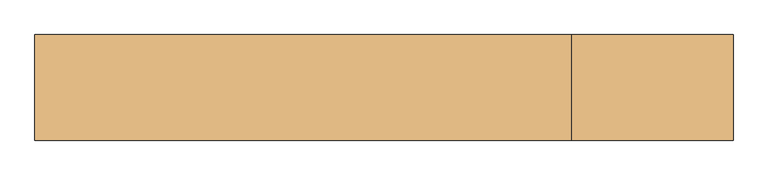
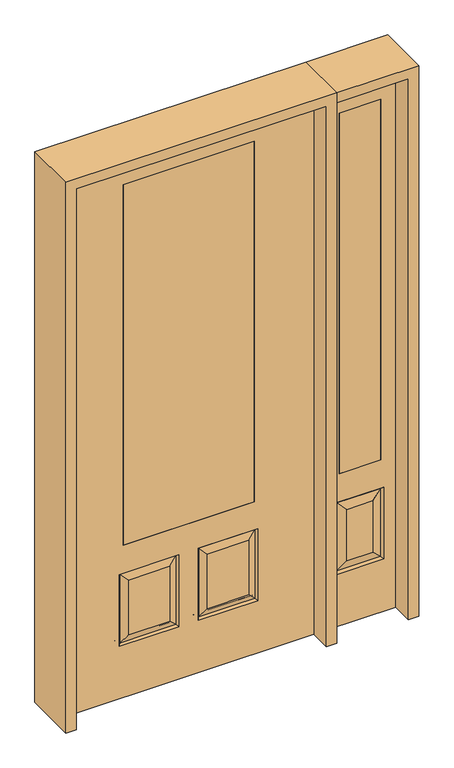
"""IFC4 building model written with IfcOpenShell, lengths in millimetres: door geometry."""

from ifc_helpers import new_model, si_unit, frame, origin, place, context, project, spatial, polyline, outline, extrude, faceted_brep, source, transform, mapped, element, save


def door_4dfc09ac(model_context):
    return source(origin(), model_context, "Body", "SolidModel", [
        extrude(outline(polyline([(641.35, -20.6375), (641.35, 20.6375), (819.15, 20.6375), (819.15, -20.6375), (641.35, -20.6375)])), frame((0.0, 0.0, 685.8), z_axis=(0.0, 0.0, 1.0), x_axis=(1.0, 0.0, 0.0)), (0.0, 0.0, 1.0), 1625.6),
        faceted_brep([(882.65, -20.6375, 0.0), (882.65, -20.6375, 2438.4), (577.85, -20.6375, 2438.4), (577.85, -20.6375, 0.0), (628.65, -20.6375, 234.95), (628.65, -20.6375, 558.8), (831.85, -20.6375, 558.8), (831.85, -20.6375, 234.95), (641.35, -20.6375, 685.8), (641.35, -20.6375, 2311.4), (819.15, -20.6375, 2311.4), (819.15, -20.6375, 685.8), (785.8125, -20.6375, 280.9875), (785.8125, -20.6375, 512.7625), (674.6875, -20.6375, 512.7625), (674.6875, -20.6375, 280.9875), (577.85, 20.6375, 0.0), (882.65, 20.6375, 0.0), (577.85, 20.6375, 2438.4), (882.65, 20.6375, 2438.4), (637.6302561, -11.6572439, 243.9302561), (822.8697439, -11.6572439, 243.9302561), (822.8697439, -11.6572439, 549.8197439), (637.6302561, -11.6572439, 549.8197439), (831.85, 20.6375, 234.95), (831.85, 20.6375, 558.8), (628.65, 20.6375, 558.8), (628.65, 20.6375, 234.95), (819.15, 20.6375, 685.8), (819.15, 20.6375, 2311.4), (641.35, 20.6375, 2311.4), (641.35, 20.6375, 685.8), (674.6875, 20.6375, 280.9875), (674.6875, 20.6375, 512.7625), (785.8125, 20.6375, 512.7625), (785.8125, 20.6375, 280.9875), (637.6302561, 11.6572439, 243.9302561), (822.8697439, 11.6572439, 243.9302561), (637.6302561, 11.6572439, 549.8197439), (822.8697439, 11.6572439, 549.8197439)], [[[0, 1, 2, 3], [4, 5, 6, 7], [8, 9, 10, 11]], [[12, 13, 14, 15]], [[3, 16, 17, 0]], [[2, 18, 16, 3]], [[0, 17, 19, 1]], [[20, 4, 7, 21]], [[7, 6, 22, 21]], [[6, 5, 23, 22]], [[20, 23, 5, 4]], [[21, 12, 15, 20]], [[15, 14, 23, 20]], [[22, 23, 14, 13]], [[21, 22, 13, 12]], [[17, 16, 18, 19], [24, 25, 26, 27], [28, 29, 30, 31]], [[32, 33, 34, 35]], [[24, 27, 36, 37]], [[27, 26, 38, 36]], [[39, 38, 26, 25]], [[37, 39, 25, 24]], [[36, 32, 35, 37]], [[35, 34, 39, 37]], [[34, 33, 38, 39]], [[36, 38, 33, 32]], [[1, 19, 18, 2]], [[8, 11, 28, 31]], [[11, 10, 29, 28]], [[31, 30, 9, 8]], [[30, 29, 10, 9]]]),
        faceted_brep([(279.4, 20.6375, 685.8), (279.4, -20.6375, 685.8), (279.4, -20.6375, 2311.4), (279.4, 20.6375, 2311.4), (-279.4, 20.6375, 685.8), (-279.4, -20.6375, 685.8), (-80.1727627, 20.6375, 273.8477627), (-256.3772373, 20.6375, 273.8477627), (-256.3772373, 20.6375, 520.4102373), (-80.1727627, 20.6375, 520.4102373), (256.3772373, 20.6375, 273.8477627), (80.1727627, 20.6375, 273.8477627), (80.1727627, 20.6375, 520.4102373), (256.3772373, 20.6375, 520.4102373), (-533.4, 20.6375, 2438.4), (533.4, 20.6375, 2438.4), (533.4, 20.6375, 0.0), (-533.4, 20.6375, 0.0), (-279.4, 20.6375, 2311.4), (-295.275, 20.6375, 234.95), (-41.275, 20.6375, 234.95), (-41.275, 20.6375, 559.308), (-295.275, 20.6375, 559.308), (41.275, 20.6375, 234.95), (295.275, 20.6375, 234.95), (295.275, 20.6375, 559.308), (41.275, 20.6375, 559.308), (-279.4, -20.6375, 2311.4), (80.1727627, -20.6375, 273.8477627), (256.3772373, -20.6375, 273.8477627), (256.3772373, -20.6375, 520.4102373), (80.1727627, -20.6375, 520.4102373), (-256.3772373, -20.6375, 273.8477627), (-80.1727627, -20.6375, 273.8477627), (-80.1727627, -20.6375, 520.4102373), (-256.3772373, -20.6375, 520.4102373), (533.4, -20.6375, 2438.4), (-533.4, -20.6375, 2438.4), (-533.4, -20.6375, 0.0), (533.4, -20.6375, 0.0), (295.275, -20.6375, 234.95), (41.275, -20.6375, 234.95), (41.275, -20.6375, 559.308), (295.275, -20.6375, 559.308), (-41.275, -20.6375, 234.95), (-295.275, -20.6375, 234.95), (-295.275, -20.6375, 559.308), (-41.275, -20.6375, 559.308), (-287.8714647, 11.4399763, 242.3535353), (-48.6785353, 11.4399763, 242.3535353), (-48.6785353, 11.4399763, 551.9044647), (-287.8714647, 11.4399763, 551.9044647), (48.6785353, 11.4399763, 242.3535353), (287.8714647, 11.4399763, 242.3535353), (287.8714647, 11.4399763, 551.9044647), (48.6785353, 11.4399763, 551.9044647), (287.8714647, -11.4399763, 242.3535353), (48.6785353, -11.4399763, 242.3535353), (48.6785353, -11.4399763, 551.9044647), (287.8714647, -11.4399763, 551.9044647), (-48.6785353, -11.4399763, 242.3535353), (-287.8714647, -11.4399763, 242.3535353), (-287.8714647, -11.4399763, 551.9044647), (-48.6785353, -11.4399763, 551.9044647)], [[[0, 1, 2, 3]], [[1, 0, 4, 5]], [[6, 7, 8, 9]], [[10, 11, 12, 13]], [[14, 15, 16, 17], [4, 0, 3, 18], [19, 20, 21, 22], [23, 24, 25, 26]], [[5, 4, 18, 27]], [[28, 29, 30, 31]], [[32, 33, 34, 35]], [[36, 37, 38, 39], [1, 5, 27, 2], [40, 41, 42, 43], [44, 45, 46, 47]], [[39, 38, 17, 16]], [[37, 14, 17, 38]], [[15, 36, 39, 16]], [[19, 48, 49, 20]], [[20, 49, 50, 21]], [[51, 22, 21, 50]], [[48, 19, 22, 51]], [[49, 48, 7, 6]], [[7, 48, 51, 8]], [[8, 51, 50, 9]], [[49, 6, 9, 50]], [[52, 53, 24, 23]], [[24, 53, 54, 25]], [[25, 54, 55, 26]], [[52, 23, 26, 55]], [[53, 52, 11, 10]], [[11, 52, 55, 12]], [[54, 13, 12, 55]], [[53, 10, 13, 54]], [[40, 56, 57, 41]], [[41, 57, 58, 42]], [[59, 43, 42, 58]], [[56, 40, 43, 59]], [[57, 56, 29, 28]], [[29, 56, 59, 30]], [[30, 59, 58, 31]], [[57, 28, 31, 58]], [[60, 61, 45, 44]], [[45, 61, 62, 46]], [[46, 62, 63, 47]], [[60, 44, 47, 63]], [[61, 60, 33, 32]], [[33, 60, 63, 34]], [[62, 35, 34, 63]], [[61, 32, 35, 62]], [[3, 2, 27, 18]], [[36, 15, 14, 37]]]),
        extrude(outline(polyline([(279.4, -20.6375), (-279.4, -20.6375), (-279.4, 20.6375), (279.4, 20.6375), (279.4, -20.6375)])), frame((0.0, 0.0, 685.8), z_axis=(0.0, 0.0, 1.0), x_axis=(1.0, 0.0, 0.0)), (0.0, 0.0, 1.0), 1625.6),
        extrude(outline(polyline([(2482.85, -577.85), (0.0, -577.85), (0.0, -533.4), (2438.4, -533.4), (2438.4, 533.4), (0.0, 533.4), (0.0, 577.85), (2482.85, 577.85), (2482.85, -577.85)])), frame((0.0, -114.3, 0.0), z_axis=(0.0, 1.0, 0.0), x_axis=(0.0, 0.0, 1.0)), (0.0, 0.0, 1.0), 228.6),
        extrude(outline(polyline([(0.0, 882.65), (0.0, 927.1), (2482.85, 927.1), (2482.85, 577.85), (2438.4, 577.85), (2438.4, 882.65), (0.0, 882.65)])), frame((0.0, -114.3, 0.0), z_axis=(0.0, 1.0, 0.0), x_axis=(0.0, 0.0, 1.0)), (0.0, 0.0, 1.0), 228.6),
    ])


if __name__ == "__main__":
    model = new_model("IFC4")
    model_context = context("Model", 3, world=origin())
    ifc_project = project(units=[si_unit("LENGTHUNIT", "METRE", prefix="MILLI")], contexts=[model_context])
    site = spatial("IfcSite", under=ifc_project)
    building = spatial("IfcBuilding", under=site)
    placement = place(None, origin())
    door_shape = door_4dfc09ac(model_context)
    element("IfcDoor", 1, at=placement, inside=building, context=model_context, shape_type="MappedRepresentation", body=[
        mapped(door_shape, transform((0.0, 0.0, 0.0), x_axis=(1.0, 0.0, 0.0), y_axis=(0.0, 1.0, 0.0), z_axis=(0.0, 0.0, 1.0))),
    ])
    save(model, "model.ifc")
